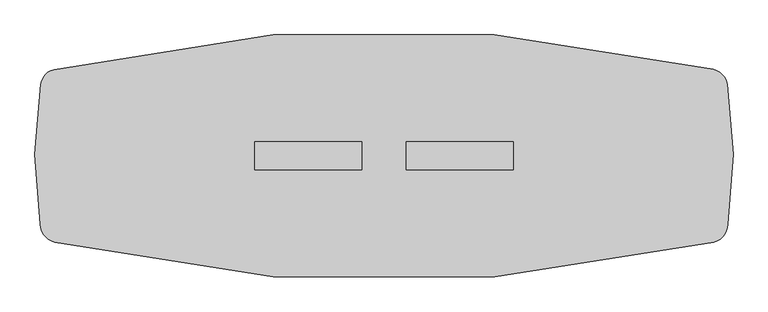
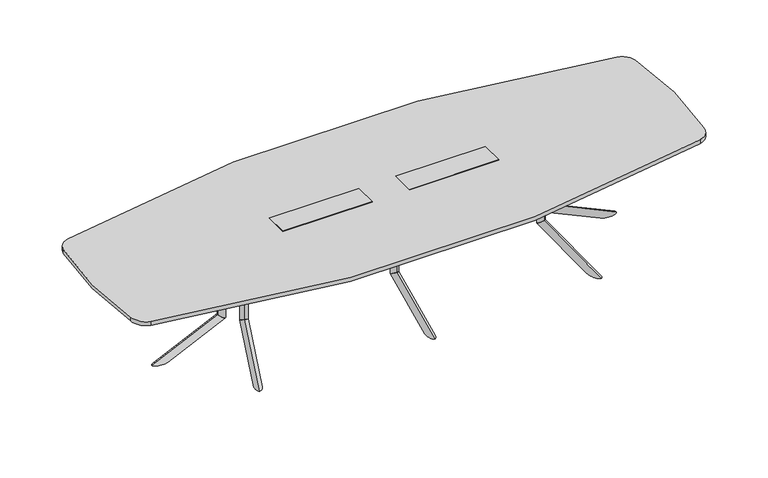
"""IFC4 building model written with IfcOpenShell, lengths in millimetres: furniture geometry."""

from ifc_helpers import new_model, si_unit, point, frame, frame_2d, origin, place, context, project, spatial, polyline, circle_curve, ellipse_curve, trimmed, segment, composite_curve, outline, extrude, faceted_brep, source, transform, mapped, element, save
from ifc_brep_helpers import plane_surface, cylinder_surface, advanced_brep


def furniture_e24dea45(model_context):
    return source(origin(), model_context, "Body", "SolidModel", [
        advanced_brep(
        [(1005.6223919, 75.2941685, 686.003912), (1021.6497318, 122.655803, 686.003912), (1021.6497318, 122.655803, 209.8373371), (1005.6223919, 75.2941685, 177.9838308)],
        [
            (0, 1, circle_curve(frame((1013.6360619, 98.9749857, 686.003912), z_axis=(0.0, 0.0, 1.0), x_axis=(0.3205467959798249, 0.9472326808060777, 0.0)), 25.0000002)),
            (1, 0, circle_curve(frame((1013.6360619, 98.9749857, 686.003912), z_axis=(0.0, 0.0, 1.0), x_axis=(0.3205467959798249, 0.9472326808060777, 0.0)), 25.0000002)),
            (1, 2),
            (2, 3, ellipse_curve(frame((1013.6360619, 98.9749857, 193.910584), z_axis=(-0.17222964099785984, -0.5089476688044559, 0.8433914993526187), x_axis=(0.2703464428741051, 0.7988879909008375, 0.5372995243062679)), 29.6422245, 25.0000002)),
            (3, 0),
            (3, 2, ellipse_curve(frame((1013.6360619, 98.9749857, 193.910584), z_axis=(-0.17222964099785984, -0.5089476688044559, 0.8433914993526187), x_axis=(0.2703464428741051, 0.7988879909008375, 0.5372995243062679)), 29.6422245, 25.0000002)),
        ],
        [
            plane_surface(frame((1021.6497318, 122.655803, 686.003912), z_axis=(0.0, 0.0, 1.0000000000000002), x_axis=(0.9472326808060777, -0.3205467959798249, 0.0))),
            cylinder_surface(frame((1013.6360619, 98.9749857, 171.4949981), z_axis=(0.0, 0.0, 1.0), x_axis=(0.3205467959798249, 0.9472326808060777, 0.0)), 25.0000002),
            plane_surface(frame((1087.7881968, 41.2603046, 174.2251154), z_axis=(0.17222964099785987, 0.508947668804456, -0.8433914993526189), x_axis=(-0.9472326808060767, 0.32054679597982794, 0.0))),
        ],
        [
            (0, [[1, 2]]),
            (1, [[3, 4, 5, -2]]),
            (1, [[-5, 6, -3, -1]]),
            (2, [[-6, -4]]),
        ],
    ),
        advanced_brep(
        [(1165.8935324, 548.9087623, 0.0), (1127.9663703, 436.8270746, 0.0), (1005.6203866, 75.2882427, 177.9798453), (1021.6497318, 122.6558029, 209.8373371)],
        [
            (0, 1, ellipse_curve(frame((1146.930699, 492.8676655, 0.0), z_axis=(0.0, 0.0, 1.0), x_axis=(-0.32054679597982483, -0.9472326808060776, 0.0)), 59.162434, 25.003125)),
            (1, 2),
            (2, 3, ellipse_curve(frame((1013.6350592, 98.9720228, 193.9085912), z_axis=(0.17222964099785967, 0.5089476688044554, -0.843391499352619), x_axis=(-0.27034644287410003, -0.7988879909008393, -0.5372995243062673)), 29.6459333, 25.003125)),
            (3, 0),
            (3, 2, ellipse_curve(frame((1013.6350592, 98.9720228, 193.9085912), z_axis=(0.17222964099785967, 0.5089476688044554, -0.843391499352619), x_axis=(-0.27034644287410003, -0.7988879909008393, -0.5372995243062673)), 29.6459333, 25.003125)),
            (1, 0, ellipse_curve(frame((1146.930699, 492.8676655, 0.0), z_axis=(0.0, 0.0, 1.0), x_axis=(-0.32054679597982483, -0.9472326808060776, 0.0)), 59.162434, 25.003125)),
        ],
        [
            cylinder_surface(frame((1162.5078767, 538.8990467, -22.6605205), z_axis=(-0.2905140573061644, -0.858484354750152, 0.42261826174069417), x_axis=(0.13546892972354252, 0.40031782902624236, 0.9063077870366524)), 25.003125),
            plane_surface(frame((1090.9905535, 107.1040594, 214.6127246), z_axis=(-0.1722296409978597, -0.5089476688044555, 0.8433914993526193), x_axis=(-0.9472326808060767, 0.3205467959798279, 0.0))),
            plane_surface(frame((1171.8451428, 406.9632923, 0.0), z_axis=(0.0, 0.0, -1.0000000000000002), x_axis=(-0.9472326808060768, 0.3205467959798276, 0.0))),
        ],
        [
            (0, [[1, 2, 3, 4]]),
            (0, [[5, -2, 6, -4]]),
            (1, [[-5, -3]]),
            (2, [[-6, -1]]),
        ],
    ),
        extrude(outline(polyline([(0.0, 0.0), (-9.475476, 14.6158843), (381.7231629, 69.2843282), (391.4053704, 0.0), (0.0, 0.0)])), frame((1147.8005039, 489.1986462, 670.2172707), z_axis=(-0.9472326808060766, 0.320546795979828, 0.0), x_axis=(-0.3174619360313854, -0.9381167570298226, -0.13840111759322388)), (0.0, 0.0, 1.0), 4.0),
        extrude(outline(polyline([(941.623204, 120.1483939), (1078.8259996, 525.589888), (1220.9109028, 477.5078683), (1083.7081072, 72.0663742), (941.623204, 120.1483939)])), frame((0.0, 0.0, 686.003912), z_axis=(0.0, 0.0, 1.0), x_axis=(1.0, 0.0, 0.0)), (0.0, 0.0, 1.0), 3.9999739),
        advanced_brep(
        [(1005.6223919, -75.2941685, 686.003912), (1021.6497318, -122.655803, 686.003912), (1005.6223919, -75.2941685, 177.9838308), (1021.6497318, -122.655803, 209.8373371)],
        [
            (0, 1, circle_curve(frame((1013.6360619, -98.9749857, 686.003912), z_axis=(0.0, 0.0, 1.0), x_axis=(0.3205467959798129, -0.9472326808060817, 0.0)), 25.0000002)),
            (1, 0, circle_curve(frame((1013.6360619, -98.9749857, 686.003912), z_axis=(0.0, 0.0, 1.0), x_axis=(0.3205467959798129, -0.9472326808060817, 0.0)), 25.0000002)),
            (0, 2),
            (2, 3, ellipse_curve(frame((1013.6360619, -98.9749857, 193.910584), z_axis=(-0.17222964099785343, 0.5089476688044581, 0.8433914993526187), x_axis=(0.270346442874095, -0.7988879909008408, 0.5372995243062678)), 29.6422245, 25.0000002)),
            (3, 1),
            (3, 2, ellipse_curve(frame((1013.6360619, -98.9749857, 193.910584), z_axis=(-0.17222964099785343, 0.5089476688044581, 0.8433914993526187), x_axis=(0.270346442874095, -0.7988879909008408, 0.5372995243062678)), 29.6422245, 25.0000002)),
        ],
        [
            plane_surface(frame((1021.6497318, -122.655803, 686.003912), z_axis=(0.0, 0.0, 1.0), x_axis=(0.9472326808060817, 0.3205467959798129, 0.0))),
            cylinder_surface(frame((1013.6360619, -98.9749857, 171.4949981), z_axis=(0.0, 0.0, 1.0), x_axis=(0.3205467959798129, -0.9472326808060817, 0.0)), 25.0000002),
            plane_surface(frame((1087.7881968, -41.2603046, 174.2251154), z_axis=(0.17222964099785343, -0.5089476688044581, -0.8433914993526187), x_axis=(-0.9472326808060807, -0.32054679597981595, 0.0))),
        ],
        [
            (0, [[1, 2]]),
            (1, [[-1, 3, 4, 5]]),
            (1, [[-2, -5, 6, -3]]),
            (2, [[-4, -6]]),
        ],
    ),
        advanced_brep(
        [(1165.8950232, -548.9082435, 6.4e-06), (1021.6497318, -122.6558029, 209.8373371), (1005.6203866, -75.2882427, 177.9798453), (1127.9663703, -436.8270746, 0.0)],
        [
            (0, 1),
            (1, 2, ellipse_curve(frame((1013.6350592, -98.9720228, 193.9085912), z_axis=(0.17222964099785326, -0.5089476688044576, -0.843391499352619), x_axis=(-0.2703464428740898, 0.7988879909008427, -0.5372995243062677)), 29.6459333, 25.003125)),
            (2, 3),
            (3, 0, ellipse_curve(frame((1146.930699, -492.8676655, 0.0), z_axis=(0.0, 0.0, 1.0), x_axis=(-0.32054679597981284, 0.9472326808060817, 0.0)), 59.162434, 25.003125)),
            (0, 3, ellipse_curve(frame((1146.930699, -492.8676655, 0.0), z_axis=(0.0, 0.0, 1.0), x_axis=(-0.32054679597981284, 0.9472326808060817, 0.0)), 59.162434, 25.003125)),
            (2, 1, ellipse_curve(frame((1013.6350592, -98.9720228, 193.9085912), z_axis=(0.17222964099785326, -0.5089476688044576, -0.843391499352619), x_axis=(-0.2703464428740898, 0.7988879909008427, -0.5372995243062677)), 29.6459333, 25.003125)),
        ],
        [
            cylinder_surface(frame((1162.5078767, -538.8990467, -22.6605205), z_axis=(-0.29051405730615354, 0.8584843547501557, 0.42261826174069417), x_axis=(0.13546892972353747, -0.400317829026244, 0.9063077870366524)), 25.003125),
            plane_surface(frame((1090.9905535, -107.1040594, 214.6127246), z_axis=(-0.17222964099785326, 0.5089476688044576, 0.843391499352619), x_axis=(-0.9472326808060807, -0.3205467959798159, 0.0))),
            plane_surface(frame((1171.8451428, -406.9632923, 0.0), z_axis=(0.0, 0.0, -1.0), x_axis=(-0.9472326808060808, -0.3205467959798156, 0.0))),
        ],
        [
            (0, [[1, 2, 3, 4]]),
            (0, [[-1, 5, -3, 6]]),
            (1, [[-2, -6]]),
            (2, [[-4, -5]]),
        ],
    ),
        extrude(outline(polyline([(0.0, 0.0), (9.475476, -14.6158843), (-381.723163, -69.2843282), (-391.4053705, 0.0), (0.0, 0.0)])), frame((1144.0115732, -490.4808334, 670.2172707), z_axis=(0.9472326808060806, 0.320546795979816, 0.0), x_axis=(0.31746193603137357, -0.9381167570298267, 0.1384011175932239)), (0.0, 0.0, 1.0), 4.0),
        extrude(outline(polyline([(941.623204, -120.1483939), (1083.7081072, -72.0663742), (1220.9109028, -477.5078683), (1078.8259996, -525.589888), (941.623204, -120.1483939)])), frame((0.0, 0.0, 686.003912), z_axis=(0.0, 0.0, 1.0), x_axis=(1.0, 0.0, 0.0)), (0.0, 0.0, 1.0), 3.9999739),
        advanced_brep(
        [(1084.520648, 0.0, 686.4114757), (1134.5206484, 0.0, 686.4114757), (1084.520648, 0.0, 178.3913945), (1134.5206484, 0.0, 210.2449008)],
        [
            (0, 1, circle_curve(frame((1109.5206482, 0.0, 686.4114757), z_axis=(0.0, 0.0, 1.0), x_axis=(1.0, 0.0, 0.0)), 25.0000002)),
            (1, 0, circle_curve(frame((1109.5206482, 0.0, 686.4114757), z_axis=(0.0, 0.0, 1.0), x_axis=(1.0, 0.0, 0.0)), 25.0000002)),
            (0, 2),
            (2, 3, ellipse_curve(frame((1109.5206482, 0.0, 194.3181477), z_axis=(-0.5372995243062679, 0.0, 0.8433914993526187), x_axis=(0.8433914993526187, 0.0, 0.5372995243062678)), 29.6422245, 25.0000002)),
            (3, 1),
            (3, 2, ellipse_curve(frame((1109.5206482, 0.0, 194.3181477), z_axis=(-0.5372995243062679, 0.0, 0.8433914993526187), x_axis=(0.8433914993526187, 0.0, 0.5372995243062678)), 29.6422245, 25.0000002)),
        ],
        [
            plane_surface(frame((1134.5206484, 0.0, 686.4114757), z_axis=(0.0, 0.0, 1.0), x_axis=(0.0, 1.0, 0.0))),
            cylinder_surface(frame((1109.5206482, 0.0, 171.9025618), z_axis=(0.0, 0.0, 1.0), x_axis=(1.0, 0.0, 0.0)), 25.0000002),
            plane_surface(frame((1078.6206453, 88.7395816, 174.6326791), z_axis=(0.5372995243062679, 0.0, -0.8433914993526187), x_axis=(0.0, -1.0, 0.0))),
        ],
        [
            (0, [[1, 2]]),
            (1, [[-1, 3, 4, 5]]),
            (1, [[-2, -5, 6, -3]]),
            (2, [[-4, -6]]),
        ],
    ),
        advanced_brep(
        [(1584.5182563, 0.0, 0.4075701), (1134.5206484, 0.0, 210.2449008), (1084.514392, 0.0, 178.387409), (1466.1934021, 0.0, 0.4075637)],
        [
            (0, 1),
            (1, 2, ellipse_curve(frame((1109.5175202, 0.0, 194.3161549), z_axis=(0.5372995243062675, 0.0, -0.843391499352619), x_axis=(-0.843391499352619, 0.0, -0.5372995243062674)), 29.6459333, 25.003125)),
            (2, 3),
            (3, 0, ellipse_curve(frame((1525.355836, 0.0, 0.4075637), z_axis=(0.0, 0.0, 1.0), x_axis=(-1.0, 0.0, 0.0)), 59.162434, 25.003125)),
            (0, 3, ellipse_curve(frame((1525.355836, 0.0, 0.4075637), z_axis=(0.0, 0.0, 1.0), x_axis=(-1.0, 0.0, 0.0)), 59.162434, 25.003125)),
            (2, 1, ellipse_curve(frame((1109.5175202, 0.0, 194.3161549), z_axis=(0.5372995243062675, 0.0, -0.843391499352619), x_axis=(-0.843391499352619, 0.0, -0.5372995243062674)), 29.6459333, 25.003125)),
        ],
        [
            cylinder_surface(frame((1573.9514791, 0.0, -22.2529568), z_axis=(-0.9063077870366524, 0.0, 0.42261826174069417), x_axis=(0.42261826174069417, 0.0, 0.9063077870366524)), 25.003125),
            plane_surface(frame((1142.0165069, 70.666954, 215.0202883), z_axis=(-0.5372995243062675, 0.0, 0.843391499352619), x_axis=(0.0, -1.0, 0.0))),
            plane_surface(frame((1451.9706514, 51.136147, 0.4075637), z_axis=(0.0, 0.0, -1.0), x_axis=(0.0, -1.0, 0.0))),
        ],
        [
            (0, [[1, 2, 3, 4]]),
            (0, [[-1, 5, -3, 6]]),
            (1, [[-2, -6]]),
            (2, [[-4, -5]]),
        ],
    ),
        extrude(outline(polyline([(670.6248344, 1522.1592342), (686.4114757, 1529.5206659), (686.4114757, 1134.5206484), (616.4538937, 1134.5206484), (670.6248344, 1522.1592342)])), frame((0.0, -2.0, 0.0), z_axis=(0.0, 1.0, 0.0), x_axis=(0.0, 0.0, 1.0)), (0.0, 0.0, 1.0), 4.0),
        extrude(outline(polyline([(1106.4933015, -75.0000006), (1106.4933015, 75.0000006), (1534.5206514, 75.0000006), (1534.5206514, -75.0000006), (1106.4933015, -75.0000006)])), frame((0.0, 0.0, 686.4114757), z_axis=(0.0, 0.0, 1.0), x_axis=(1.0, 0.0, 0.0)), (0.0, 0.0, 1.0), 3.9999739),
        extrude(outline(composite_curve([segment(trimmed(circle_curve(frame_2d((1008.0271514, 0.1720115)), 88.6441382), [point((1035.9449789, 84.3051093))], [point((1093.0833158, 25.1366295))], False, "CARTESIAN"), True, "CONTINUOUS"), segment(polyline([(1093.0833158, 25.1366295), (1088.5135834, 23.795379)]), True, "CONTINUOUS"), segment(trimmed(circle_curve(frame_2d((1008.0271514, 0.1720115)), 83.8816382), [point((1088.5135834, 23.795379))], [point((1034.4450641, 79.7849698))], True, "CARTESIAN"), True, "CONTINUOUS"), segment(polyline([(1034.4450641, 79.7849698), (1035.9449789, 84.3051093)]), True, "CONTINUOUS")], self_intersect=False)), frame((0.0, 0.0, 417.003907), z_axis=(0.0, 0.0, 1.0), x_axis=(1.0, 0.0, 0.0)), (0.0, 0.0, 1.0), 199.4499866),
        extrude(outline(composite_curve([segment(polyline([(1035.9449789, -84.3051093), (1034.4450641, -79.7849698)]), True, "CONTINUOUS"), segment(trimmed(circle_curve(frame_2d((1008.0271514, -0.1720115)), 83.8816382), [point((1034.4450641, -79.7849698))], [point((1088.5135834, -23.795379))], True, "CARTESIAN"), True, "CONTINUOUS"), segment(polyline([(1088.5135834, -23.795379), (1093.0833158, -25.1366295)]), True, "CONTINUOUS"), segment(trimmed(circle_curve(frame_2d((1008.0271514, -0.1720115)), 88.6441382), [point((1093.0833158, -25.1366295))], [point((1035.9449789, -84.3051093))], False, "CARTESIAN"), True, "CONTINUOUS")], self_intersect=False)), frame((0.0, 0.0, 417.003907), z_axis=(0.0, 0.0, 1.0), x_axis=(1.0, 0.0, 0.0)), (0.0, 0.0, 1.0), 199.4499866),
        faceted_brep([(736.6, 79.6726562, 721.2210938), (127.0, 79.6726562, 721.2210938), (127.0, -79.6726563, 721.2210938), (736.6, -79.6726563, 721.2210938), (736.6, 79.6726562, 718.0460938), (736.6, -79.6726563, 718.0460938), (127.0, -79.6726563, 718.0460938), (127.0, 79.6726562, 718.0460938), (733.425, 74.9101562, 718.0460938), (130.175, 74.9101562, 718.0460938), (130.175, -74.9101563, 718.0460938), (733.425, -74.9101563, 718.0460938), (733.425, 74.9101562, 648.1960938), (733.425, -74.9101563, 648.1960938), (130.175, -74.9101563, 648.1960938), (130.175, 74.9101562, 648.1960938)], [[[0, 1, 2, 3]], [[4, 5, 6, 7], [8, 9, 10, 11]], [[1, 0, 4, 7]], [[2, 1, 7, 6]], [[3, 2, 6, 5]], [[0, 3, 5, 4]], [[12, 13, 14, 15]], [[12, 15, 9, 8]], [[15, 14, 10, 9]], [[14, 13, 11, 10]], [[13, 12, 8, 11]]]),
        faceted_brep([(-127.0, 79.6726562, 721.2210938), (-736.6, 79.6726562, 721.2210938), (-736.6, -79.6726563, 721.2210938), (-127.0, -79.6726563, 721.2210938), (-127.0, 79.6726562, 718.0460938), (-127.0, -79.6726563, 718.0460938), (-736.6, -79.6726563, 718.0460938), (-736.6, 79.6726562, 718.0460938), (-130.175, 74.9101562, 718.0460938), (-733.425, 74.9101562, 718.0460938), (-733.425, -74.9101563, 718.0460938), (-130.175, -74.9101563, 718.0460938), (-130.175, 74.9101562, 648.1960938), (-130.175, -74.9101563, 648.1960938), (-733.425, -74.9101563, 648.1960938), (-733.425, 74.9101562, 648.1960938)], [[[0, 1, 2, 3]], [[4, 5, 6, 7], [8, 9, 10, 11]], [[1, 0, 4, 7]], [[2, 1, 7, 6]], [[3, 2, 6, 5]], [[0, 3, 5, 4]], [[12, 13, 14, 15]], [[12, 15, 9, 8]], [[15, 14, 10, 9]], [[14, 13, 11, 10]], [[13, 12, 8, 11]]]),
        advanced_brep(
        [(0.0, -100.1086873, 686.003912), (0.0, -150.1086877, 686.003912), (0.0, -100.1086873, 177.9838308), (0.0, -150.1086877, 209.8373371)],
        [
            (0, 1, circle_curve(frame((0.0, -125.1086875, 686.003912), z_axis=(0.0, 0.0, 1.0), x_axis=(0.0, -1.0000000000000002, 0.0)), 25.0000002)),
            (1, 0, circle_curve(frame((0.0, -125.1086875, 686.003912), z_axis=(0.0, 0.0, 1.0), x_axis=(0.0, -1.0000000000000002, 0.0)), 25.0000002)),
            (0, 2),
            (2, 3, ellipse_curve(frame((0.0, -125.1086875, 193.910584), z_axis=(0.0, 0.5372995243062679, 0.8433914993526188), x_axis=(0.0, -0.8433914993526189, 0.5372995243062675)), 29.6422245, 25.0000002)),
            (3, 1),
            (3, 2, ellipse_curve(frame((0.0, -125.1086875, 193.910584), z_axis=(0.0, 0.5372995243062679, 0.8433914993526188), x_axis=(0.0, -0.8433914993526189, 0.5372995243062675)), 29.6422245, 25.0000002)),
        ],
        [
            plane_surface(frame((0.0, -150.1086877, 686.003912), z_axis=(0.0, 0.0, 1.0), x_axis=(1.0, 0.0, 0.0))),
            cylinder_surface(frame((0.0, -125.1086875, 171.4949981), z_axis=(0.0, 0.0, 1.0), x_axis=(0.0, -1.0000000000000002, 0.0)), 25.0000002),
            plane_surface(frame((88.7395816, -94.2086846, 174.2251154), z_axis=(0.0, -0.5372995243062679, -0.8433914993526188), x_axis=(-1.0, 0.0, 0.0))),
        ],
        [
            (0, [[1, 2]]),
            (1, [[-1, 3, 4, 5]]),
            (1, [[-2, -5, 6, -3]]),
            (2, [[-4, -6]]),
        ],
    ),
        advanced_brep(
        [(0.0, -600.1062956, 6.4e-06), (0.0, -150.1086877, 209.8373371), (0.0, -100.1024313, 177.9798453), (0.0, -481.7814414, 0.0)],
        [
            (0, 1),
            (1, 2, ellipse_curve(frame((0.0, -125.1055595, 193.9085912), z_axis=(0.0, -0.5372995243062674, -0.843391499352619), x_axis=(0.0, 0.8433914993526193, -0.5372995243062672)), 29.6459333, 25.003125)),
            (2, 3),
            (3, 0, ellipse_curve(frame((0.0, -540.9438753, 0.0), z_axis=(0.0, 0.0, 1.0), x_axis=(0.0, 1.0, 0.0)), 59.162434, 25.003125)),
            (0, 3, ellipse_curve(frame((0.0, -540.9438753, 0.0), z_axis=(0.0, 0.0, 1.0), x_axis=(0.0, 1.0, 0.0)), 59.162434, 25.003125)),
            (2, 1, ellipse_curve(frame((0.0, -125.1055595, 193.9085912), z_axis=(0.0, -0.5372995243062674, -0.843391499352619), x_axis=(0.0, 0.8433914993526193, -0.5372995243062672)), 29.6459333, 25.003125)),
        ],
        [
            cylinder_surface(frame((0.0, -589.5395183, -22.6605205), z_axis=(0.0, 0.9063077870366526, 0.42261826174069417), x_axis=(0.0, -0.4226182617406943, 0.9063077870366524)), 25.003125),
            plane_surface(frame((70.666954, -157.6045462, 214.6127246), z_axis=(0.0, 0.5372995243062674, 0.843391499352619), x_axis=(-1.0, 0.0, 0.0))),
            plane_surface(frame((51.136147, -467.5586907, 0.0), z_axis=(0.0, 0.0, -1.0), x_axis=(-1.0, 0.0, 0.0))),
        ],
        [
            (0, [[1, 2, 3, 4]]),
            (0, [[-1, 5, -3, 6]]),
            (1, [[-2, -6]]),
            (2, [[-4, -5]]),
        ],
    ),
        extrude(outline(polyline([(-537.7472735, 670.2172707), (-545.1087052, 686.003912), (-150.1086877, 686.003912), (-150.1086877, 616.04633), (-537.7472735, 670.2172707)])), frame((-2.0, 0.0, 0.0), z_axis=(1.0, 0.0, 0.0), x_axis=(0.0, 1.0, 0.0)), (0.0, 0.0, 1.0), 4.0),
        extrude(outline(polyline([(-75.0000006, -122.0813408), (75.0000006, -122.0813408), (75.0000006, -550.1086907), (-75.0000006, -550.1086907), (-75.0000006, -122.0813408)])), frame((0.0, 0.0, 686.003912), z_axis=(0.0, 0.0, 1.0), x_axis=(1.0, 0.0, 0.0)), (0.0, 0.0, 1.0), 3.9999739),
        advanced_brep(
        [(0.0, 100.1086873, 686.003912), (0.0, 150.1086877, 686.003912), (0.0, 100.1086873, 177.9838308), (0.0, 150.1086877, 209.8373371)],
        [
            (0, 1, circle_curve(frame((0.0, 125.1086875, 686.003912), z_axis=(0.0, 0.0, 1.0), x_axis=(0.0, 1.0000000000000002, 0.0)), 25.0000002)),
            (1, 0, circle_curve(frame((0.0, 125.1086875, 686.003912), z_axis=(0.0, 0.0, 1.0), x_axis=(0.0, 1.0000000000000002, 0.0)), 25.0000002)),
            (0, 2),
            (2, 3, ellipse_curve(frame((0.0, 125.1086875, 193.910584), z_axis=(0.0, -0.5372995243062679, 0.8433914993526188), x_axis=(0.0, 0.8433914993526189, 0.5372995243062675)), 29.6422245, 25.0000002)),
            (3, 1),
            (3, 2, ellipse_curve(frame((0.0, 125.1086875, 193.910584), z_axis=(0.0, -0.5372995243062679, 0.8433914993526188), x_axis=(0.0, 0.8433914993526189, 0.5372995243062675)), 29.6422245, 25.0000002)),
        ],
        [
            plane_surface(frame((0.0, 150.1086877, 686.003912), z_axis=(0.0, 0.0, 1.0), x_axis=(-1.0, 0.0, 0.0))),
            cylinder_surface(frame((0.0, 125.1086875, 171.4949981), z_axis=(0.0, 0.0, 1.0), x_axis=(0.0, 1.0000000000000002, 0.0)), 25.0000002),
            plane_surface(frame((-88.7395816, 94.2086846, 174.2251154), z_axis=(0.0, 0.5372995243062679, -0.8433914993526188), x_axis=(1.0, 0.0, 0.0))),
        ],
        [
            (0, [[1, 2]]),
            (1, [[-1, 3, 4, 5]]),
            (1, [[-2, -5, 6, -3]]),
            (2, [[-4, -6]]),
        ],
    ),
        advanced_brep(
        [(0.0, 600.1062956, 6.4e-06), (0.0, 150.1086877, 209.8373371), (0.0, 100.1024313, 177.9798453), (0.0, 481.7814414, 0.0)],
        [
            (0, 1),
            (1, 2, ellipse_curve(frame((0.0, 125.1055595, 193.9085912), z_axis=(0.0, 0.5372995243062674, -0.843391499352619), x_axis=(0.0, -0.8433914993526193, -0.5372995243062672)), 29.6459333, 25.003125)),
            (2, 3),
            (3, 0, ellipse_curve(frame((0.0, 540.9438753, 0.0), z_axis=(0.0, 0.0, 1.0), x_axis=(0.0, -1.0, 0.0)), 59.162434, 25.003125)),
            (0, 3, ellipse_curve(frame((0.0, 540.9438753, 0.0), z_axis=(0.0, 0.0, 1.0), x_axis=(0.0, -1.0, 0.0)), 59.162434, 25.003125)),
            (2, 1, ellipse_curve(frame((0.0, 125.1055595, 193.9085912), z_axis=(0.0, 0.5372995243062674, -0.843391499352619), x_axis=(0.0, -0.8433914993526193, -0.5372995243062672)), 29.6459333, 25.003125)),
        ],
        [
            cylinder_surface(frame((0.0, 589.5395183, -22.6605205), z_axis=(0.0, -0.9063077870366526, 0.42261826174069417), x_axis=(0.0, 0.4226182617406943, 0.9063077870366524)), 25.003125),
            plane_surface(frame((-70.666954, 157.6045462, 214.6127246), z_axis=(0.0, -0.5372995243062674, 0.843391499352619), x_axis=(1.0, 0.0, 0.0))),
            plane_surface(frame((-51.136147, 467.5586907, 0.0), z_axis=(0.0, 0.0, -1.0), x_axis=(1.0, 0.0, 0.0))),
        ],
        [
            (0, [[1, 2, 3, 4]]),
            (0, [[-1, 5, -3, 6]]),
            (1, [[-2, -6]]),
            (2, [[-4, -5]]),
        ],
    ),
        extrude(outline(polyline([(537.7472735, 670.2172707), (150.1086877, 616.04633), (150.1086877, 686.003912), (545.1087052, 686.003912), (537.7472735, 670.2172707)])), frame((-2.0, 0.0, 0.0), z_axis=(1.0, 0.0, 0.0), x_axis=(0.0, 1.0, 0.0)), (0.0, 0.0, 1.0), 4.0),
        extrude(outline(polyline([(75.0000006, 122.0813408), (-75.0000006, 122.0813408), (-75.0000006, 550.1086907), (75.0000006, 550.1086907), (75.0000006, 122.0813408)])), frame((0.0, 0.0, 686.003912), z_axis=(0.0, 0.0, 1.0), x_axis=(1.0, 0.0, 0.0)), (0.0, 0.0, 1.0), 3.9999739),
        advanced_brep(
        [(-1005.6223919, -75.2941685, 686.003912), (-1021.6497318, -122.655803, 686.003912), (-1021.6497318, -122.655803, 209.8373371), (-1005.6223919, -75.2941685, 177.9838308)],
        [
            (0, 1, circle_curve(frame((-1013.6360619, -98.9749857, 686.003912), z_axis=(0.0, 0.0, 1.0), x_axis=(-0.3205467959798189, -0.9472326808060797, 0.0)), 25.0000002)),
            (1, 0, circle_curve(frame((-1013.6360619, -98.9749857, 686.003912), z_axis=(0.0, 0.0, 1.0), x_axis=(-0.3205467959798189, -0.9472326808060797, 0.0)), 25.0000002)),
            (1, 2),
            (2, 3, ellipse_curve(frame((-1013.6360619, -98.9749857, 193.910584), z_axis=(0.17222964099785665, 0.508947668804457, 0.8433914993526188), x_axis=(-0.27034644287410003, -0.7988879909008393, 0.5372995243062675)), 29.6422245, 25.0000002)),
            (3, 0),
            (3, 2, ellipse_curve(frame((-1013.6360619, -98.9749857, 193.910584), z_axis=(0.17222964099785665, 0.508947668804457, 0.8433914993526188), x_axis=(-0.27034644287410003, -0.7988879909008393, 0.5372995243062675)), 29.6422245, 25.0000002)),
        ],
        [
            plane_surface(frame((-1021.6497318, -122.655803, 686.003912), z_axis=(0.0, 0.0, 1.0), x_axis=(-0.9472326808060797, 0.3205467959798189, 0.0))),
            cylinder_surface(frame((-1013.6360619, -98.9749857, 171.4949981), z_axis=(0.0, 0.0, 1.0), x_axis=(-0.3205467959798189, -0.9472326808060797, 0.0)), 25.0000002),
            plane_surface(frame((-1087.7881968, -41.2603046, 174.2251154), z_axis=(-0.17222964099785665, -0.508947668804457, -0.8433914993526188), x_axis=(0.9472326808060787, -0.32054679597982194, 0.0))),
        ],
        [
            (0, [[1, 2]]),
            (1, [[3, 4, 5, -2]]),
            (1, [[-5, 6, -3, -1]]),
            (2, [[-6, -4]]),
        ],
    ),
        advanced_brep(
        [(-1165.8935324, -548.9087623, 0.0), (-1127.9663703, -436.8270746, 0.0), (-1005.6203866, -75.2882427, 177.9798453), (-1021.6497318, -122.6558029, 209.8373371)],
        [
            (0, 1, ellipse_curve(frame((-1146.930699, -492.8676655, 0.0), z_axis=(0.0, 0.0, 1.0), x_axis=(0.32054679597981883, 0.9472326808060797, 0.0)), 59.162434, 25.003125)),
            (1, 2),
            (2, 3, ellipse_curve(frame((-1013.6350592, -98.9720228, 193.9085912), z_axis=(-0.17222964099785648, -0.5089476688044566, -0.843391499352619), x_axis=(0.2703464428740949, 0.798887990900841, -0.5372995243062678)), 29.6459333, 25.003125)),
            (3, 0),
            (3, 2, ellipse_curve(frame((-1013.6350592, -98.9720228, 193.9085912), z_axis=(-0.17222964099785648, -0.5089476688044566, -0.843391499352619), x_axis=(0.2703464428740949, 0.798887990900841, -0.5372995243062678)), 29.6459333, 25.003125)),
            (1, 0, ellipse_curve(frame((-1146.930699, -492.8676655, 0.0), z_axis=(0.0, 0.0, 1.0), x_axis=(0.32054679597981883, 0.9472326808060797, 0.0)), 59.162434, 25.003125)),
        ],
        [
            cylinder_surface(frame((-1162.5078767, -538.8990467, -22.6605205), z_axis=(0.290514057306159, 0.8584843547501538, 0.42261826174069417), x_axis=(-0.13546892972354, -0.4003178290262432, 0.9063077870366524)), 25.003125),
            plane_surface(frame((-1090.9905535, -107.1040594, 214.6127246), z_axis=(0.17222964099785648, 0.5089476688044566, 0.843391499352619), x_axis=(0.9472326808060787, -0.3205467959798219, 0.0))),
            plane_surface(frame((-1171.8451428, -406.9632923, 0.0), z_axis=(0.0, 0.0, -1.0000000000000002), x_axis=(0.9472326808060788, -0.3205467959798216, 0.0))),
        ],
        [
            (0, [[1, 2, 3, 4]]),
            (0, [[5, -2, 6, -4]]),
            (1, [[-5, -3]]),
            (2, [[-6, -1]]),
        ],
    ),
        extrude(outline(polyline([(0.0, 0.0), (-391.4053705, 0.0), (-381.723163, 69.2843282), (9.475476, 14.6158843), (0.0, 0.0)])), frame((-1144.0115732, -490.4808334, 670.2172707), z_axis=(-0.9472326808060786, 0.320546795979822, 0.0), x_axis=(-0.31746193603137945, -0.9381167570298246, 0.13840111759322388)), (0.0, 0.0, 1.0), 4.0),
        extrude(outline(polyline([(-941.623204, -120.1483939), (-1078.8259996, -525.589888), (-1220.9109028, -477.5078683), (-1083.7081072, -72.0663742), (-941.623204, -120.1483939)])), frame((0.0, 0.0, 686.003912), z_axis=(0.0, 0.0, 1.0), x_axis=(1.0, 0.0, 0.0)), (0.0, 0.0, 1.0), 3.9999739),
        advanced_brep(
        [(-1005.6223919, 75.2941685, 686.003912), (-1021.6497318, 122.655803, 686.003912), (-1005.6223919, 75.2941685, 177.9838308), (-1021.6497318, 122.655803, 209.8373371)],
        [
            (0, 1, circle_curve(frame((-1013.6360619, 98.9749857, 686.003912), z_axis=(0.0, 0.0, 1.0), x_axis=(-0.3205467959798189, 0.9472326808060797, 0.0)), 25.0000002)),
            (1, 0, circle_curve(frame((-1013.6360619, 98.9749857, 686.003912), z_axis=(0.0, 0.0, 1.0), x_axis=(-0.3205467959798189, 0.9472326808060797, 0.0)), 25.0000002)),
            (0, 2),
            (2, 3, ellipse_curve(frame((-1013.6360619, 98.9749857, 193.910584), z_axis=(0.17222964099785665, -0.508947668804457, 0.8433914993526188), x_axis=(-0.27034644287410003, 0.7988879909008393, 0.5372995243062675)), 29.6422245, 25.0000002)),
            (3, 1),
            (3, 2, ellipse_curve(frame((-1013.6360619, 98.9749857, 193.910584), z_axis=(0.17222964099785665, -0.508947668804457, 0.8433914993526188), x_axis=(-0.27034644287410003, 0.7988879909008393, 0.5372995243062675)), 29.6422245, 25.0000002)),
        ],
        [
            plane_surface(frame((-1021.6497318, 122.655803, 686.003912), z_axis=(0.0, 0.0, 1.0), x_axis=(-0.9472326808060797, -0.3205467959798189, 0.0))),
            cylinder_surface(frame((-1013.6360619, 98.9749857, 171.4949981), z_axis=(0.0, 0.0, 1.0), x_axis=(-0.3205467959798189, 0.9472326808060797, 0.0)), 25.0000002),
            plane_surface(frame((-1087.7881968, 41.2603046, 174.2251154), z_axis=(-0.17222964099785665, 0.508947668804457, -0.8433914993526188), x_axis=(0.9472326808060787, 0.32054679597982194, 0.0))),
        ],
        [
            (0, [[1, 2]]),
            (1, [[-1, 3, 4, 5]]),
            (1, [[-2, -5, 6, -3]]),
            (2, [[-4, -6]]),
        ],
    ),
        advanced_brep(
        [(-1165.8950232, 548.9082435, 6.4e-06), (-1021.6497318, 122.6558029, 209.8373371), (-1005.6203866, 75.2882427, 177.9798453), (-1127.9663703, 436.8270746, 0.0)],
        [
            (0, 1),
            (1, 2, ellipse_curve(frame((-1013.6350592, 98.9720228, 193.9085912), z_axis=(-0.17222964099785648, 0.5089476688044566, -0.843391499352619), x_axis=(0.2703464428740949, -0.798887990900841, -0.5372995243062678)), 29.6459333, 25.003125)),
            (2, 3),
            (3, 0, ellipse_curve(frame((-1146.930699, 492.8676655, 0.0), z_axis=(0.0, 0.0, 1.0), x_axis=(0.32054679597981883, -0.9472326808060797, 0.0)), 59.162434, 25.003125)),
            (0, 3, ellipse_curve(frame((-1146.930699, 492.8676655, 0.0), z_axis=(0.0, 0.0, 1.0), x_axis=(0.32054679597981883, -0.9472326808060797, 0.0)), 59.162434, 25.003125)),
            (2, 1, ellipse_curve(frame((-1013.6350592, 98.9720228, 193.9085912), z_axis=(-0.17222964099785648, 0.5089476688044566, -0.843391499352619), x_axis=(0.2703464428740949, -0.798887990900841, -0.5372995243062678)), 29.6459333, 25.003125)),
        ],
        [
            cylinder_surface(frame((-1162.5078767, 538.8990467, -22.6605205), z_axis=(0.290514057306159, -0.8584843547501538, 0.42261826174069417), x_axis=(-0.13546892972354, 0.4003178290262432, 0.9063077870366524)), 25.003125),
            plane_surface(frame((-1090.9905535, 107.1040594, 214.6127246), z_axis=(0.17222964099785648, -0.5089476688044566, 0.843391499352619), x_axis=(0.9472326808060787, 0.3205467959798219, 0.0))),
            plane_surface(frame((-1171.8451428, 406.9632923, 0.0), z_axis=(0.0, 0.0, -1.0000000000000002), x_axis=(0.9472326808060788, 0.3205467959798216, 0.0))),
        ],
        [
            (0, [[1, 2, 3, 4]]),
            (0, [[-1, 5, -3, 6]]),
            (1, [[-2, -6]]),
            (2, [[-4, -5]]),
        ],
    ),
        extrude(outline(polyline([(0.0, 0.0), (391.4053704, 0.0), (381.7231629, -69.2843282), (-9.475476, -14.6158843), (0.0, 0.0)])), frame((-1147.8005039, 489.1986462, 670.2172707), z_axis=(0.9472326808060786, 0.320546795979822, 0.0), x_axis=(0.31746193603137945, -0.9381167570298246, -0.13840111759322388)), (0.0, 0.0, 1.0), 4.0),
        extrude(outline(polyline([(-941.623204, 120.1483939), (-1083.7081072, 72.0663742), (-1220.9109028, 477.5078683), (-1078.8259996, 525.589888), (-941.623204, 120.1483939)])), frame((0.0, 0.0, 686.003912), z_axis=(0.0, 0.0, 1.0), x_axis=(1.0, 0.0, 0.0)), (0.0, 0.0, 1.0), 3.9999739),
        advanced_brep(
        [(-1084.520648, 0.0, 686.4114757), (-1134.5206484, 0.0, 686.4114757), (-1084.520648, 0.0, 178.3913945), (-1134.5206484, 0.0, 210.2449008)],
        [
            (0, 1, circle_curve(frame((-1109.5206482, 0.0, 686.4114757), z_axis=(0.0, 0.0, 1.0), x_axis=(-1.0, 0.0, 0.0)), 25.0000002)),
            (1, 0, circle_curve(frame((-1109.5206482, 0.0, 686.4114757), z_axis=(0.0, 0.0, 1.0), x_axis=(-1.0, 0.0, 0.0)), 25.0000002)),
            (0, 2),
            (2, 3, ellipse_curve(frame((-1109.5206482, 0.0, 194.3181477), z_axis=(0.5372995243062679, 0.0, 0.8433914993526187), x_axis=(-0.8433914993526187, 0.0, 0.5372995243062678)), 29.6422245, 25.0000002)),
            (3, 1),
            (3, 2, ellipse_curve(frame((-1109.5206482, 0.0, 194.3181477), z_axis=(0.5372995243062679, 0.0, 0.8433914993526187), x_axis=(-0.8433914993526187, 0.0, 0.5372995243062678)), 29.6422245, 25.0000002)),
        ],
        [
            plane_surface(frame((-1134.5206484, 0.0, 686.4114757), z_axis=(0.0, 0.0, 1.0), x_axis=(0.0, -1.0, 0.0))),
            cylinder_surface(frame((-1109.5206482, 0.0, 171.9025618), z_axis=(0.0, 0.0, 1.0), x_axis=(-1.0, 0.0, 0.0)), 25.0000002),
            plane_surface(frame((-1078.6206453, -88.7395816, 174.6326791), z_axis=(-0.5372995243062679, 0.0, -0.8433914993526187), x_axis=(0.0, 1.0, 0.0))),
        ],
        [
            (0, [[1, 2]]),
            (1, [[-1, 3, 4, 5]]),
            (1, [[-2, -5, 6, -3]]),
            (2, [[-4, -6]]),
        ],
    ),
        advanced_brep(
        [(-1584.5182563, 0.0, 0.4075701), (-1134.5206484, 0.0, 210.2449008), (-1084.514392, 0.0, 178.387409), (-1466.1934021, 0.0, 0.4075637)],
        [
            (0, 1),
            (1, 2, ellipse_curve(frame((-1109.5175202, 0.0, 194.3161549), z_axis=(-0.5372995243062675, 0.0, -0.843391499352619), x_axis=(0.843391499352619, 0.0, -0.5372995243062674)), 29.6459333, 25.003125)),
            (2, 3),
            (3, 0, ellipse_curve(frame((-1525.355836, 0.0, 0.4075637), z_axis=(0.0, 0.0, 1.0), x_axis=(1.0, 0.0, 0.0)), 59.162434, 25.003125)),
            (0, 3, ellipse_curve(frame((-1525.355836, 0.0, 0.4075637), z_axis=(0.0, 0.0, 1.0), x_axis=(1.0, 0.0, 0.0)), 59.162434, 25.003125)),
            (2, 1, ellipse_curve(frame((-1109.5175202, 0.0, 194.3161549), z_axis=(-0.5372995243062675, 0.0, -0.843391499352619), x_axis=(0.843391499352619, 0.0, -0.5372995243062674)), 29.6459333, 25.003125)),
        ],
        [
            cylinder_surface(frame((-1573.9514791, 0.0, -22.2529568), z_axis=(0.9063077870366524, 0.0, 0.42261826174069417), x_axis=(-0.42261826174069417, 0.0, 0.9063077870366524)), 25.003125),
            plane_surface(frame((-1142.0165069, -70.666954, 215.0202883), z_axis=(0.5372995243062675, 0.0, 0.843391499352619), x_axis=(0.0, 1.0, 0.0))),
            plane_surface(frame((-1451.9706514, -51.136147, 0.4075637), z_axis=(0.0, 0.0, -1.0), x_axis=(0.0, 1.0, 0.0))),
        ],
        [
            (0, [[1, 2, 3, 4]]),
            (0, [[-1, 5, -3, 6]]),
            (1, [[-2, -6]]),
            (2, [[-4, -5]]),
        ],
    ),
        extrude(outline(polyline([(670.6248344, -1522.1592342), (616.4538937, -1134.5206484), (686.4114757, -1134.5206484), (686.4114757, -1529.5206659), (670.6248344, -1522.1592342)])), frame((0.0, -2.0, 0.0), z_axis=(0.0, 1.0, 0.0), x_axis=(0.0, 0.0, 1.0)), (0.0, 0.0, 1.0), 4.0),
        extrude(outline(polyline([(-1106.4933015, 75.0000006), (-1106.4933015, -75.0000006), (-1534.5206514, -75.0000006), (-1534.5206514, 75.0000006), (-1106.4933015, 75.0000006)])), frame((0.0, 0.0, 686.4114757), z_axis=(0.0, 0.0, 1.0), x_axis=(1.0, 0.0, 0.0)), (0.0, 0.0, 1.0), 3.9999739),
        extrude(outline(composite_curve([segment(trimmed(circle_curve(frame_2d((-1008.0271514, -0.1720115)), 88.6441382), [point((-1035.9449789, -84.3051093))], [point((-1093.0833158, -25.1366295))], False, "CARTESIAN"), True, "CONTINUOUS"), segment(polyline([(-1093.0833158, -25.1366295), (-1088.5135834, -23.795379)]), True, "CONTINUOUS"), segment(trimmed(circle_curve(frame_2d((-1008.0271514, -0.1720115)), 83.8816382), [point((-1088.5135834, -23.795379))], [point((-1034.4450641, -79.7849698))], True, "CARTESIAN"), True, "CONTINUOUS"), segment(polyline([(-1034.4450641, -79.7849698), (-1035.9449789, -84.3051093)]), True, "CONTINUOUS")], self_intersect=False)), frame((0.0, 0.0, 417.003907), z_axis=(0.0, 0.0, 1.0), x_axis=(1.0, 0.0, 0.0)), (0.0, 0.0, 1.0), 199.4499866),
        extrude(outline(composite_curve([segment(polyline([(-1035.9449789, 84.3051093), (-1034.4450641, 79.7849698)]), True, "CONTINUOUS"), segment(trimmed(circle_curve(frame_2d((-1008.0271514, 0.1720115)), 83.8816382), [point((-1034.4450641, 79.7849698))], [point((-1088.5135834, 23.795379))], True, "CARTESIAN"), True, "CONTINUOUS"), segment(polyline([(-1088.5135834, 23.795379), (-1093.0833158, 25.1366295)]), True, "CONTINUOUS"), segment(trimmed(circle_curve(frame_2d((-1008.0271514, 0.1720115)), 88.6441382), [point((-1093.0833158, 25.1366295))], [point((-1035.9449789, 84.3051093))], False, "CARTESIAN"), True, "CONTINUOUS")], self_intersect=False)), frame((0.0, 0.0, 417.003907), z_axis=(0.0, 0.0, 1.0), x_axis=(1.0, 0.0, 0.0)), (0.0, 0.0, 1.0), 199.4499866),
        extrude(outline(composite_curve([segment(trimmed(circle_curve(frame_2d((519.6123704, -0.0337636)), 2505.3052078), [point((-1955.2616648, -389.3314572))], [point((-1952.1980702, 408.2643262))], False, "CARTESIAN"), True, "CONTINUOUS"), segment(trimmed(circle_curve(frame_2d((-1851.956415, 391.7062295)), 101.6), [point((-1952.1980702, 408.2643262))], [point((-1875.6465975, 490.5056994))], False, "CARTESIAN"), True, "CONTINUOUS"), segment(trimmed(circle_curve(frame_2d((-0.0824982, -7331.4998329)), 8043.7249603), [point((-1875.6465975, 490.5056994))], [point((1872.9034667, 491.1234364))], False, "CARTESIAN"), True, "CONTINUOUS"), segment(trimmed(circle_curve(frame_2d((1851.956415, 391.7062295)), 101.6), [point((1872.9034667, 491.1234364))], [point((1952.1980702, 408.2643262))], False, "CARTESIAN"), True, "CONTINUOUS"), segment(trimmed(circle_curve(frame_2d((-519.6123704, -0.0337636)), 2505.3052078), [point((1952.1980702, 408.2643262))], [point((1955.2616648, -389.3314572))], False, "CARTESIAN"), True, "CONTINUOUS"), segment(trimmed(circle_curve(frame_2d((1848.4257395, -387.1464365)), 106.8582671), [point((1955.2616648, -389.3314572))], [point((1876.1547982, -490.3442492))], False, "CARTESIAN"), True, "CONTINUOUS"), segment(trimmed(circle_curve(frame_2d((-0.0824982, 7331.4998329)), 8043.7249603), [point((1876.1547982, -490.3442492))], [point((-1873.8195041, -490.943575))], False, "CARTESIAN"), True, "CONTINUOUS"), segment(trimmed(circle_curve(frame_2d((-1848.4257395, -387.1464365)), 106.8582671), [point((-1873.8195041, -490.943575))], [point((-1955.2616648, -389.3314572))], False, "CARTESIAN"), True, "CONTINUOUS")], self_intersect=False)), frame((0.0, 0.0, 689.9671875), z_axis=(0.0, 0.0, 1.0), x_axis=(1.0, 0.0, 0.0)), (0.0, 0.0, 1.0), 28.0789063),
        extrude(outline(polyline([(984.25, -88.7586607), (984.25, -95.1086607), (-984.25, -95.1086607), (-984.25, -88.7586607), (984.25, -88.7586607)])), frame((0.0, 0.0, 417.003907), z_axis=(0.0, 0.0, 1.0), x_axis=(1.0, 0.0, 0.0)), (0.0, 0.0, 1.0), 272.9999788),
        extrude(outline(polyline([(984.25, 95.1086607), (984.25, 88.7586607), (-984.25, 88.7586607), (-984.25, 95.1086607), (984.25, 95.1086607)])), frame((0.0, 0.0, 417.003907), z_axis=(0.0, 0.0, 1.0), x_axis=(1.0, 0.0, 0.0)), (0.0, 0.0, 1.0), 272.9999788),
    ])


if __name__ == "__main__":
    model = new_model("IFC4")
    model_context = context("Model", 3, world=origin())
    ifc_project = project(units=[si_unit("LENGTHUNIT", "METRE", prefix="MILLI")], contexts=[model_context])
    site = spatial("IfcSite", under=ifc_project)
    building = spatial("IfcBuilding", under=site)
    placement = place(None, origin())
    furniture_shape = furniture_e24dea45(model_context)
    element("IfcFurniture", 1, at=placement, inside=building, context=model_context, shape_type="MappedRepresentation", body=[
        mapped(furniture_shape, transform((0.0, 0.0, 0.0), x_axis=(1.0, 0.0, 0.0), y_axis=(0.0, 1.0, 0.0), z_axis=(0.0, 0.0, 1.0))),
    ])
    save(model, "model.ifc")
